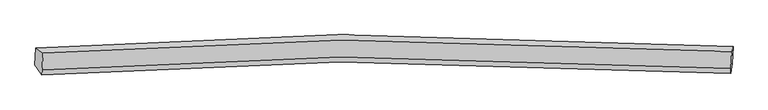
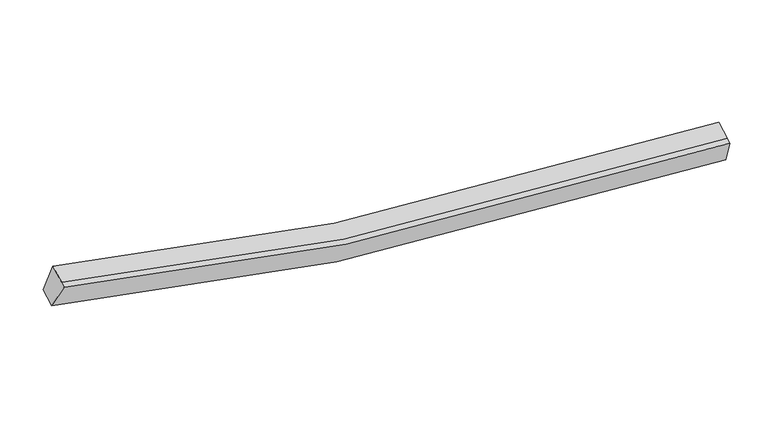
"""IFC4 building model written with IfcOpenShell, lengths in millimetres: proxy geometry."""

from ifc_helpers import new_model, si_unit, frame, origin, place, context, project, spatial, source, transform, mapped, element, save
from ifc_brep_helpers import plane_surface, spline_curve, spline_surface, advanced_brep


def generic_models_e3e58bfc(model_context):
    return source(origin(), model_context, "Body", "AdvancedBrep", [
        advanced_brep(
        [(-8268.6761764, -1860.6684397, 4185.2168504), (-8080.2592203, -1989.9897521, 4863.0545612), (9847.7688541, -1950.7753294, 2654.7129761), (9880.0963053, -1822.1092085, 1951.7984162), (-8102.4201136, -2435.0433724, 4679.6065567), (9825.6079609, -2395.8289497, 2471.2649716), (-8108.8583703, -2564.3418371, 4626.3106295), (9819.1697042, -2525.1274145, 2417.9690444), (-8290.5026683, -2299.0063315, 4004.5370224), (9858.2698135, -2260.4471003, 1771.1185882)],
        [
            (0, 1),
            (1, 2, spline_curve(3, [(-8080.2592203, -1989.9897521, 4863.0545612), (-5516.338107077, -1791.291262405, 4104.279091442), (-2926.341148018, -1677.297706607, 3536.738716565), (3033.152755024, -1610.577328347, 2679.503772595), (6419.165153231, -1711.499410301, 2510.930285518), (9847.7688541, -1950.7753294, 2654.7129761)], [4, 2, 4], [0.0, 26.282589841631, 59.872543867745094])),
            (2, 3),
            (3, 0, spline_curve(3, [(9880.0963053, -1822.1092085, 1951.7984162), (6409.33352955, -1580.16725587, 1806.640702935), (2981.654681371, -1478.006109486, 1977.241552887), (-3051.229666753, -1545.061420743, 2844.154775824), (-5673.141645725, -1660.075643732, 3418.026737041), (-8268.6761764, -1860.6684397, 4185.2168504)], [4, 2, 4], [0.0, 33.58995402611409, 59.872543867745094])),
            (1, 4),
            (4, 5, spline_curve(3, [(-8102.4201136, -2435.0433724, 4679.6065567), (-5538.499000317, -2236.344883255, 3920.831087498), (-2948.502040871, -2122.351326728, 3353.290712313), (3010.991861153, -2055.630948876, 2496.055767779), (6397.004259084, -2156.553030968, 2327.482282067), (9825.6079609, -2395.8289497, 2471.2649716)], [4, 2, 4], [0.0, 26.122119080386042, 59.506986563460316])),
            (5, 2),
            (4, 6),
            (6, 7, spline_curve(3, [(-8108.8583703, -2564.3418371, 4626.3106295), (-5544.937257017, -2365.643347955, 3867.535160298), (-2954.940297571, -2251.649791528, 3299.994785113), (3004.553604453, -2184.929413676, 2442.759840579), (6390.566002384, -2285.851495768, 2274.186354867), (9819.1697042, -2525.1274145, 2417.9690444)], [4, 2, 4], [0.0, 26.12211908038604, 59.5069865634603])),
            (7, 5),
            (6, 8),
            (8, 9, spline_curve(3, [(-8290.5026683, -2299.0063315, 4004.5370224), (-5694.968137625, -2098.413535532, 3237.346909041), (-3073.056158653, -1983.399312443, 2663.474947824), (2959.828189471, -1916.344001186, 1796.561724887), (6387.50703775, -2018.50514767, 1625.960874935), (9858.2698135, -2260.4471003, 1771.1185882)], [4, 2, 4], [0.0, 26.282589841630983, 59.87254386774505])),
            (9, 7),
            (8, 0),
            (3, 9),
        ],
        [
            spline_surface(3, 3, [[(-8268.6761764, -1860.6684397, 4185.2168504), (-5673.141645697, -1660.075643675, 3418.02673739), (-3051.229666865, -1545.061420758, 2844.154775968), (2981.654681515, -1478.006109466, 1977.241552703), (6409.333529897, -1580.167255346, 1806.640702733), (9880.0963053, -1822.1092085, 1951.7984162)], [(-8205.870524381, -1903.775543825, 4411.162754012), (-5620.873799626, -1703.814183303, 3646.777522147), (-3009.600160449, -1589.140182719, 3075.01608949), (2998.820705822, -1522.196515797, 2211.328959354), (6412.610737498, -1623.9446403, 2041.403897191), (9869.320488238, -1864.997915487, 2186.103269522)], [(-8143.064872319, -1946.882647975, 4637.108657588), (-5568.605953511, -1747.552722956, 3875.52830687), (-2967.970654, -1633.218944611, 3305.877403002), (3015.986730161, -1566.386922061, 2445.416365997), (6415.887945087, -1667.722025191, 2276.167091584), (9858.544671162, -1907.886622413, 2420.408122778)], [(-8080.2592203, -1989.9897521, 4863.0545612), (-5516.33810744, -1791.291262584, 4104.279091628), (-2926.341147583, -1677.297706571, 3536.738716524), (3033.152754468, -1610.577328393, 2679.503772648), (6419.165152688, -1711.499410144, 2510.930286041), (9847.7688541, -1950.7753294, 2654.7129761)]], [4, 4], [4, 2, 4], [0.0, 2.34685107942239], [0.0, 26.282589841631, 59.872543867745094]),
            spline_surface(3, 3, [[(-8080.2592203, -1989.9897521, 4863.0545612), (-5516.33810744, -1791.291262584, 4104.279091628), (-2926.341147583, -1677.297706571, 3536.738716524), (3033.152754468, -1610.577328393, 2679.503772648), (6419.165152688, -1711.499410144, 2510.930286041), (9847.7688541, -1950.7753294, 2654.7129761)], [(-8087.646184712, -2138.340958853, 4801.905226367), (-5523.725071852, -1939.642469337, 4043.129756795), (-2933.728111995, -1825.648913324, 3475.589381691), (3025.765790056, -1758.928535146, 2618.354437815), (6411.778188275, -1859.850616897, 2449.780951208), (9840.381889688, -2099.126536153, 2593.563641267)], [(-8095.033149188, -2286.692165647, 4740.755891533), (-5531.112036328, -2087.993676131, 3981.980421961), (-2941.115076471, -1974.000120118, 3414.440046857), (3018.37882558, -1907.279741941, 2557.205102981), (6404.3912239, -2008.201823691, 2388.631616374), (9832.994925312, -2247.477742947, 2532.414306433)], [(-8102.4201136, -2435.0433724, 4679.6065567), (-5538.49900074, -2236.344882884, 3920.831087128), (-2948.502040883, -2122.351326871, 3353.290712024), (3010.991861168, -2055.630948693, 2496.055768148), (6397.004259488, -2156.553030444, 2327.482281541), (9825.6079609, -2395.8289497, 2471.2649716)]], [4, 4], [4, 2, 4], [0.0, 1.5810006293688978], [0.0, 26.122119080386042, 59.506986563460316]),
            spline_surface(3, 3, [[(-8102.4201136, -2435.0433724, 4679.6065567), (-5538.49900074, -2236.344882884, 3920.831087128), (-2948.502040883, -2122.351326871, 3353.290712024), (3010.991861168, -2055.630948693, 2496.055768148), (6397.004259488, -2156.553030444, 2327.482281541), (9825.6079609, -2395.8289497, 2471.2649716)], [(-8104.566199182, -2478.142860659, 4661.841247631), (-5540.645086322, -2279.444371142, 3903.065778059), (-2950.648126465, -2165.45081513, 3335.525402955), (3008.845775586, -2098.730436952, 2478.290459079), (6394.858173905, -2199.652518703, 2309.716972473), (9823.461875318, -2438.928437959, 2453.499662531)], [(-8106.712284718, -2521.242348841, 4644.075938569), (-5542.791171857, -2322.543859325, 3885.300468996), (-2952.794212, -2208.550303413, 3317.760093892), (3006.699690051, -2141.829925235, 2460.525150017), (6392.71208837, -2242.752006985, 2291.95166341), (9821.315789782, -2482.027926241, 2435.734353469)], [(-8108.8583703, -2564.3418371, 4626.3106295), (-5544.93725744, -2365.643347584, 3867.535159928), (-2954.940297583, -2251.649791671, 3299.994784824), (3004.553604468, -2184.929413493, 2442.759840948), (6390.566002788, -2285.851495244, 2274.186354341), (9819.1697042, -2525.1274145, 2417.9690444)]], [4, 4], [4, 2, 4], [0.0, 0.45931758530183503], [0.0, 26.12211908038604, 59.5069865634603]),
            spline_surface(3, 3, [[(-8108.8583703, -2564.3418371, 4626.3106295), (-5544.93725744, -2365.643347584, 3867.535159928), (-2954.940297583, -2251.649791671, 3299.994784824), (3004.553604468, -2184.929413493, 2442.759840948), (6390.566002788, -2285.851495244, 2274.186354341), (9819.1697042, -2525.1274145, 2417.9690444)], [(-8169.406469612, -2475.896668556, 4419.052760469), (-5594.947550804, -2276.566743537, 3657.47240975), (-2994.312251293, -2162.232965291, 3087.821505883), (2989.645132868, -2095.400942742, 2227.360468877), (6389.546347894, -2196.736045871, 2058.111194464), (9832.203073969, -2436.900643093, 2202.352225659)], [(-8229.954568988, -2387.451500044, 4211.794891431), (-5644.957844233, -2187.490139522, 3447.409659567), (-3033.684205056, -2072.816138838, 2875.648226909), (2974.736661215, -2005.872471917, 2011.961096774), (6388.526692991, -2107.620596519, 1842.03603461), (9845.236443731, -2348.673871707, 1986.735406941)], [(-8290.5026683, -2299.0063315, 4004.5370224), (-5694.968137597, -2098.413535475, 3237.34690939), (-3073.056158765, -1983.399312458, 2663.474947968), (2959.828189615, -1916.344001166, 1796.561724703), (6387.507038097, -2018.505147146, 1625.960874733), (9858.2698135, -2260.4471003, 1771.1185882)]], [4, 4], [4, 2, 4], [0.0, 2.296574071998024], [0.0, 26.282589841630983, 59.87254386774505]),
            spline_surface(3, 3, [[(-8290.5026683, -2299.0063315, 4004.5370224), (-5694.968137597, -2098.413535475, 3237.34690939), (-3073.056158765, -1983.399312458, 2663.474947968), (2959.828189615, -1916.344001166, 1796.561724703), (6387.507038097, -2018.505147146, 1625.960874733), (9858.2698135, -2260.4471003, 1771.1185882)], [(-8283.227171012, -2152.893700908, 4064.763631721), (-5687.692640309, -1952.300904883, 3297.57351871), (-3065.780661478, -1837.286681867, 2723.701557289), (2967.103686903, -1770.231370574, 1856.788334024), (6394.782535385, -1872.392516555, 1686.187484054), (9865.545310788, -2114.334469708, 1831.345197521)], [(-8275.951673688, -2006.781070292, 4124.990241079), (-5680.417142985, -1806.188274267, 3357.800128069), (-3058.505164153, -1691.17405135, 2783.928166647), (2974.379184227, -1624.118740057, 1917.014943382), (6402.05803261, -1726.279885938, 1746.414093412), (9872.820808012, -1968.221839092, 1891.571806879)], [(-8268.6761764, -1860.6684397, 4185.2168504), (-5673.141645697, -1660.075643675, 3418.02673739), (-3051.229666865, -1545.061420758, 2844.154775968), (2981.654681515, -1478.006109466, 1977.241552703), (6409.333529897, -1580.167255346, 1806.640702733), (9880.0963053, -1822.1092085, 1951.7984162)]], [4, 4], [4, 2, 4], [0.0, 1.55714379397729], [0.0, 26.443060830303622, 60.238101690117055]),
            plane_surface(frame((9851.3261693, -2139.6147632, 2198.8997562), z_axis=(0.997379119271152, -0.06375985605836096, 0.03419902333866524), x_axis=(0.055857299011730685, 0.3781147346019718, -0.9240720803184104))),
            plane_surface(frame((-8187.0741088, -2178.5015901, 4419.7797659), z_axis=(-0.9646497411072297, -0.05793635876415698, 0.25708803028321986), x_axis=(-0.04598754819526486, -0.9235604626835721, -0.38068519432556674))),
        ],
        [
            (0, [[1, 2, 3, 4]]),
            (1, [[5, 6, 7, -2]]),
            (2, [[8, 9, 10, -6]]),
            (3, [[11, 12, 13, -9]]),
            (4, [[14, -4, 15, -12]]),
            (5, [[-13, -15, -3, -7, -10]]),
            (6, [[-14, -11, -8, -5, -1]]),
        ],
    ),
    ])


if __name__ == "__main__":
    model = new_model("IFC4")
    model_context = context("Model", 3, world=origin())
    ifc_project = project(units=[si_unit("LENGTHUNIT", "METRE", prefix="MILLI")], contexts=[model_context])
    site = spatial("IfcSite", under=ifc_project)
    building = spatial("IfcBuilding", under=site)
    placement = place(None, origin())
    generic_models_shape = generic_models_e3e58bfc(model_context)
    element("IfcBuildingElementProxy", 1, Name="Generic Models", at=placement, inside=building, context=model_context, shape_type="MappedRepresentation", body=[
        mapped(generic_models_shape, transform((0.0, 0.0, 0.0), x_axis=(1.0, 0.0, 0.0), y_axis=(0.0, 1.0, 0.0), z_axis=(0.0, 0.0, 1.0))),
    ])
    save(model, "model.ifc")
